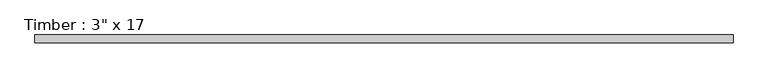
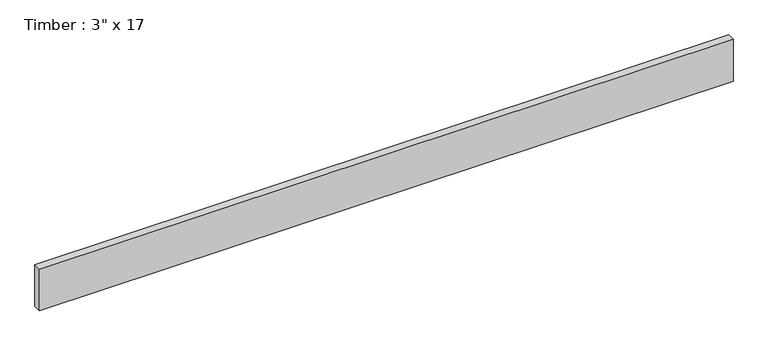
"""IFC4 building model written with IfcOpenShell, lengths in millimetres: beam geometry."""

from ifc_helpers import new_model, si_unit, frame, origin, place, context, project, spatial, polyline, outline, extrude, source, transform, mapped, element, save


def beam_a05cdd4e(model_context):
    return source(origin(), model_context, "Body", "SweptSolid", [
        extrude(outline(polyline([(3390.9, 38.1), (3390.9, -38.1), (-3390.9, -38.1), (-3390.9, 38.1), (3390.9, 38.1)])), frame((0.0, 0.0, -215.9), z_axis=(0.0, 0.0, 1.0), x_axis=(1.0, 0.0, 0.0)), (0.0, 0.0, 1.0), 431.8),
    ])


if __name__ == "__main__":
    model = new_model("IFC4")
    model_context = context("Model", 3, world=origin())
    ifc_project = project(units=[si_unit("LENGTHUNIT", "METRE", prefix="MILLI")], contexts=[model_context])
    site = spatial("IfcSite", under=ifc_project)
    building = spatial("IfcBuilding", under=site)
    placement = place(None, origin())
    beam_shape = beam_a05cdd4e(model_context)
    element("IfcBeam", 1, ObjectType="Timber : 3\" x 17", at=placement, inside=building, context=model_context, shape_type="MappedRepresentation", body=[
        mapped(beam_shape, transform((0.0, 0.0, 0.0), x_axis=(1.0, 0.0, 0.0), y_axis=(0.0, 1.0, 0.0), z_axis=(0.0, 0.0, 1.0))),
    ])
    save(model, "model.ifc")
